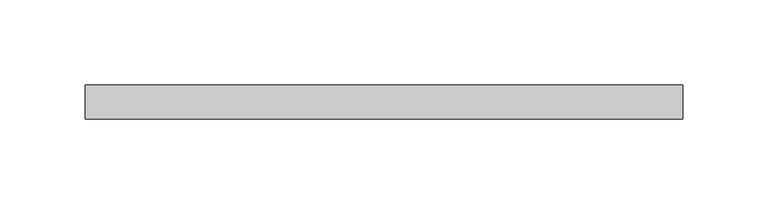
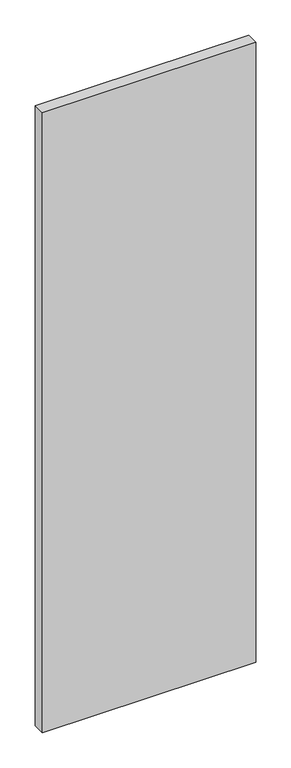
"""IFC4 building model written with IfcOpenShell, lengths in millimetres: plate geometry."""

from ifc_helpers import new_model, si_unit, origin, origin_with_axes, place, context, project, spatial, polyline, outline, extrude, source, transform, mapped, element, save


def plate_347f5adf(model_context):
    return source(origin(), model_context, "Body", "SweptSolid", [
        extrude(outline(polyline([(175.0, 20.0), (-175.0, 20.0), (-175.0, 40.0), (175.0, 40.0), (175.0, 20.0)])), origin_with_axes(), (0.0, 0.0, 1.0), 1075.0),
    ])


if __name__ == "__main__":
    model = new_model("IFC4")
    model_context = context("Model", 3, world=origin())
    ifc_project = project(units=[si_unit("LENGTHUNIT", "METRE", prefix="MILLI")], contexts=[model_context])
    site = spatial("IfcSite", under=ifc_project)
    building = spatial("IfcBuilding", under=site)
    placement = place(None, origin())
    plate_shape = plate_347f5adf(model_context)
    element("IfcPlate", 1, at=placement, inside=building, context=model_context, shape_type="MappedRepresentation", body=[
        mapped(plate_shape, transform((0.0, 0.0, 0.0), x_axis=(1.0, 0.0, 0.0), y_axis=(0.0, 1.0, 0.0), z_axis=(0.0, 0.0, 1.0))),
    ])
    save(model, "model.ifc")
